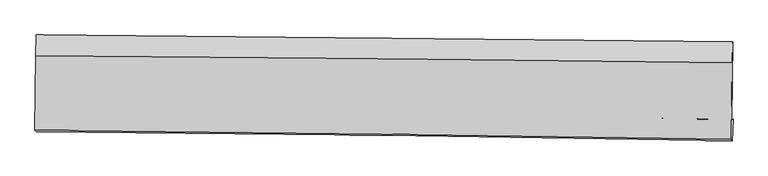
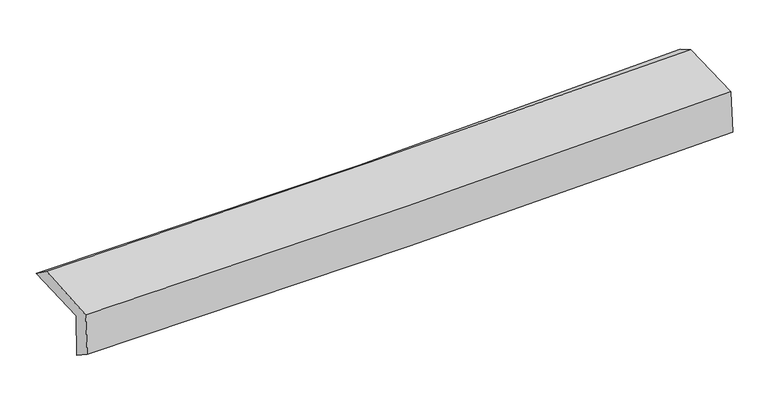
"""IFC4 building model written with IfcOpenShell, lengths in millimetres: proxy geometry."""

from ifc_helpers import new_model, si_unit, frame, origin, place, context, project, spatial, source, transform, mapped, element, save
from ifc_brep_helpers import plane_surface, spline_curve, spline_surface, advanced_brep


def generic_models_2508f303(model_context):
    return source(origin(), model_context, "Body", "AdvancedBrep", [
        advanced_brep(
        [(-3021.1150594, -1756.8166592, 1969.6716742), (-3013.3146587, -1091.5364492, 1986.8485405), (3006.4607985, -1150.4468479, 2146.6862223), (2998.9404727, -1819.7120626, 2129.4145994), (-3011.104711, -1746.5477796, 1567.3999814), (3008.9780263, -1818.8391857, 1721.4985973), (-3016.3447881, -1927.2214206, 1689.7926561), (3003.76574, -2005.3414108, 1843.4726697), (-3025.7953272, -1916.540538, 2079.8178768), (2994.177791, -1994.5166387, 2238.7474225), (-3018.6898331, -1269.6413336, 2116.0320972), (3001.6984394, -1332.3357561, 2252.5847062)],
        [
            (0, 1),
            (1, 2, spline_curve(3, [(-3013.3146587, -1091.5364492, 1986.8485405), (-2009.320993888, -1102.205482975, 1985.437377385), (-1005.684904164, -1112.449121976, 1998.051128461), (1000.906939801, -1132.085950717, 2051.329382103), (2003.862668866, -1141.479111441, 2091.994858595), (3006.4607985, -1150.4468479, 2146.6862223)], [4, 2, 4], [0.0, 9.880752297488074, 19.761847457800325])),
            (2, 3),
            (3, 0, spline_curve(3, [(2998.9404727, -1819.7120626, 2129.4145994), (1996.636456498, -1809.021563458, 2061.380455955), (993.80444117, -1798.434940893, 2014.051601772), (-1012.880772913, -1777.469813647, 1960.805397235), (-2016.73393472, -1767.09130143, 1954.886609182), (-3021.1150594, -1756.8166592, 1969.6716742)], [4, 2, 4], [0.0, 9.88109516031225, 19.761847457800325])),
            (4, 0),
            (3, 5),
            (5, 4, spline_curve(3, [(3008.9780263, -1818.8391857, 1721.4985973), (2006.57755204, -1803.535653173, 1659.616215158), (1003.695041469, -1789.859526541, 1615.833563961), (-1002.999238054, -1765.762504336, 1564.468615007), (-2006.810972786, -1755.341495193, 1556.885060552), (-3011.104711, -1746.5477796, 1567.3999814)], [4, 2, 4], [0.0, 9.881779336199823, 19.76321578583534])),
            (6, 4),
            (5, 7),
            (7, 6, spline_curve(3, [(3003.76574, -2005.3414108, 1843.4726697), (2001.044000719, -1987.996742901, 1795.052293956), (997.998544429, -1972.814334331, 1758.035414048), (-1008.704987453, -1946.774487853, 1706.809534507), (-2012.36304036, -1935.916899419, 1692.599743037), (-3016.3447881, -1927.2214206, 1689.7926561)], [4, 2, 4], [0.0, 9.880921684984134, 19.761500513163487])),
            (8, 6),
            (7, 9),
            (9, 8, spline_curve(3, [(2994.177791, -1994.5166387, 2238.7474225), (1991.440930487, -1977.152976545, 2191.021434002), (988.399364698, -1961.973061938, 2153.914265456), (-1018.258362517, -1935.981180014, 2100.93848706), (-2021.874502721, -1925.16906081, 2085.069140339), (-3025.7953272, -1916.540538, 2079.8178768)], [4, 2, 4], [0.0, 9.880341723202113, 19.760340609723464])),
            (10, 8),
            (9, 11),
            (11, 10, spline_curve(3, [(3001.6984394, -1332.3357561, 2252.5847062), (1998.68890892, -1318.862059812, 2216.254547369), (995.476413181, -1306.900611962, 2186.710004343), (-1011.3196916, -1286.002576413, 2141.192938966), (-2014.903286715, -1277.065883189, 2125.219945904), (-3018.6898331, -1269.6413336, 2116.0320972)], [4, 2, 4], [0.0, 9.879830054942131, 19.75931729095781])),
            (1, 10),
            (11, 2),
        ],
        [
            spline_surface(3, 3, [[(-3021.1150594, -1756.8166592, 1969.6716742), (-2016.733934818, -1767.091301556, 1954.886609284), (-1012.880772884, -1777.469813649, 1960.80539708), (993.804441142, -1798.434940891, 2014.051601928), (1996.636456539, -1809.021563297, 2061.380455885), (2998.9404727, -1819.7120626, 2129.4145994)], [(-3018.514925829, -1535.056589207, 1975.397296303), (-2014.262954525, -1545.462695334, 1965.07019867), (-1010.482149942, -1555.796249717, 1973.220640815), (996.171940697, -1576.318610902, 2026.47752868), (1999.045193999, -1586.507412716, 2071.585256795), (3001.447247935, -1596.623657703, 2135.171807026)], [(-3015.914792271, -1313.296519193, 1981.122918397), (-2011.791974246, -1323.834089089, 1975.253788046), (-1008.083527056, -1334.122685744, 1985.635884597), (998.539440196, -1354.202280871, 2038.903455479), (2001.453931555, -1363.993262125, 2081.790057728), (3003.954023265, -1373.535252797, 2140.929014674)], [(-3013.3146587, -1091.5364492, 1986.8485405), (-2009.320993953, -1102.205482867, 1985.437377432), (-1005.684904113, -1112.449121812, 1998.051128333), (1000.906939751, -1132.085950882, 2051.329382231), (2003.862669015, -1141.479111543, 2091.994858638), (3006.4607985, -1150.4468479, 2146.6862223)]], [4, 4], [4, 2, 4], [0.0, 2.1875500051054146], [0.0, 9.880752297488074, 19.761847457800325]),
            spline_surface(3, 3, [[(-3011.104711, -1746.5477796, 1567.3999814), (-2006.810972842, -1755.341495272, 1556.885060716), (-1002.999237899, -1765.762504237, 1564.468614866), (1003.695041313, -1789.85952664, 1615.833564103), (2006.577552149, -1803.535653096, 1659.616215262), (3008.9780263, -1818.8391857, 1721.4985973)], [(-3014.441493793, -1749.970739458, 1701.490545676), (-2010.118626826, -1759.258097358, 1689.552243582), (-1006.293082898, -1769.664940701, 1696.580875607), (1000.398174585, -1792.717998051, 1748.572910048), (2003.263853644, -1805.364289831, 1793.537628808), (3005.632175132, -1819.130144668, 1857.470598005)], [(-3017.778276607, -1753.393699342, 1835.581109924), (-2013.426280833, -1763.17469947, 1822.219426418), (-1009.586927885, -1773.567377184, 1828.693136338), (997.10130787, -1795.57646948, 1881.312255983), (1999.950155044, -1807.192926561, 1927.459042339), (3002.286323868, -1819.421103632, 1993.442598695)], [(-3021.1150594, -1756.8166592, 1969.6716742), (-2016.733934818, -1767.091301556, 1954.886609284), (-1012.880772884, -1777.469813649, 1960.80539708), (993.804441142, -1798.434940891, 2014.051601928), (1996.636456539, -1809.021563297, 2061.380455885), (2998.9404727, -1819.7120626, 2129.4145994)]], [4, 4], [4, 2, 4], [0.0, 1.3042316480131368], [0.0, 9.881436449635515, 19.76321578583534]),
            spline_surface(3, 3, [[(-3016.3447881, -1927.2214206, 1689.7926561), (-2012.36304035, -1935.916899571, 1692.59974308), (-1008.704987425, -1946.774487757, 1706.809534356), (997.9985444, -1972.814334427, 1758.0354142), (2001.044000855, -1987.996742995, 1795.05229411), (3003.76574, -2005.3414108, 1843.4726697)], [(-3014.598095744, -1866.996873611, 1648.995097869), (-2010.512351191, -1875.72509815, 1647.361515628), (-1006.803070902, -1886.437159906, 1659.362561208), (999.897376718, -1911.829398487, 1710.634797516), (2002.888517944, -1926.509713024, 1749.906934484), (3005.503168757, -1943.174002428, 1802.814645557)], [(-3012.851403356, -1806.772326589, 1608.197539631), (-2008.661662001, -1815.533296694, 1602.123288168), (-1004.901154421, -1826.099832088, 1611.915588013), (1001.796208995, -1850.844462581, 1663.234180786), (2004.733035061, -1865.022683067, 1704.761574887), (3007.240597543, -1881.006594072, 1762.156621443)], [(-3011.104711, -1746.5477796, 1567.3999814), (-2006.810972842, -1755.341495272, 1556.885060716), (-1002.999237899, -1765.762504237, 1564.468614866), (1003.695041313, -1789.85952664, 1615.833564103), (2006.577552149, -1803.535653096, 1659.616215262), (3008.9780263, -1818.8391857, 1721.4985973)]], [4, 4], [4, 2, 4], [0.0, 0.7580914119960898], [0.0, 9.880578828179353, 19.761500513163487]),
            spline_surface(3, 3, [[(-3025.7953272, -1916.540538, 2079.8178768), (-2021.874502742, -1925.169060795, 2085.069140485), (-1018.25836252, -1935.98117997, 2100.938487098), (988.399364701, -1961.973061982, 2153.914265417), (1991.440930528, -1977.152976393, 2191.021434048), (2994.177791, -1994.5166387, 2238.7474225)], [(-3022.645147487, -1920.100832206, 1949.809469898), (-2018.704015265, -1928.751673726, 1954.246008015), (-1015.073904177, -1939.578949249, 1969.562169501), (991.599091246, -1965.586819481, 2021.954648328), (1994.641953968, -1980.767565265, 2059.031720745), (2997.373773997, -1998.124896072, 2106.989171577)], [(-3019.494967813, -1923.661126394, 1819.801063002), (-2015.533527827, -1932.33428664, 1823.42287555), (-1011.889445768, -1943.176718478, 1838.185851953), (994.798817855, -1969.200576929, 1889.995031289), (1997.842977415, -1984.382154123, 1927.042007412), (3000.569757003, -2001.733153428, 1975.230920623)], [(-3016.3447881, -1927.2214206, 1689.7926561), (-2012.36304035, -1935.916899571, 1692.59974308), (-1008.704987425, -1946.774487757, 1706.809534356), (997.9985444, -1972.814334427, 1758.0354142), (2001.044000855, -1987.996742995, 1795.05229411), (3003.76574, -2005.3414108, 1843.4726697)]], [4, 4], [4, 2, 4], [0.0, 1.296811163341322], [0.0, 9.879998886521351, 19.760340609723464]),
            spline_surface(3, 3, [[(-3018.6898331, -1269.6413336, 2116.0320972), (-2014.903286685, -1277.065883116, 2125.219945763), (-1011.319691674, -1286.002576249, 2141.192938933), (995.476413255, -1306.900612126, 2186.710004376), (1998.688909056, -1318.86205985, 2216.254547523), (3001.6984394, -1332.3357561, 2252.5847062)], [(-3021.058331134, -1485.274401731, 2103.960690409), (-2017.227025372, -1493.100275673, 2111.836344013), (-1013.632581962, -1502.662110833, 2127.774788325), (993.117397064, -1525.258095422, 2175.778091394), (1996.27291621, -1538.292365364, 2207.843509694), (2999.191556597, -1553.062716967, 2247.972278296)], [(-3023.426829166, -1700.907469869, 2091.889283591), (-2019.550764055, -1709.134668237, 2098.452742235), (-1015.945472232, -1719.321645386, 2114.356637706), (990.758380892, -1743.615578687, 2164.8461784), (1993.856923374, -1757.722670878, 2199.432471877), (2996.684673803, -1773.789677833, 2243.359850404)], [(-3025.7953272, -1916.540538, 2079.8178768), (-2021.874502742, -1925.169060795, 2085.069140485), (-1018.25836252, -1935.98117997, 2100.938487098), (988.399364701, -1961.973061982, 2153.914265417), (1991.440930528, -1977.152976393, 2191.021434048), (2994.177791, -1994.5166387, 2238.7474225)]], [4, 4], [4, 2, 4], [0.0, 2.1443065117712385], [0.0, 9.87948723601568, 19.75931729095781]),
            spline_surface(3, 3, [[(-3013.3146587, -1091.5364492, 1986.8485405), (-2009.320993953, -1102.205482867, 1985.437377432), (-1005.684904113, -1112.449121812, 1998.051128333), (1000.906939751, -1132.085950882, 2051.329382231), (2003.862669015, -1141.479111543, 2091.994858638), (3006.4607985, -1150.4468479, 2146.6862223)], [(-3015.106383514, -1150.904743987, 2029.909726044), (-2011.181758211, -1160.492282936, 2032.031566853), (-1007.563166634, -1170.300273267, 2045.765065208), (999.096764252, -1190.357504606, 2096.456256289), (2002.138082377, -1200.606760974, 2133.414754939), (3004.873345482, -1211.076483962, 2181.985716939)], [(-3016.898108286, -1210.273038813, 2072.970911656), (-2013.042522427, -1218.779083046, 2078.625756342), (-1009.441429153, -1228.151424794, 2093.479002057), (997.286588754, -1248.629058402, 2141.583130319), (2000.413495694, -1259.734410419, 2174.834651223), (3003.285892418, -1271.706120038, 2217.285211561)], [(-3018.6898331, -1269.6413336, 2116.0320972), (-2014.903286685, -1277.065883116, 2125.219945763), (-1011.319691674, -1286.002576249, 2141.192938933), (995.476413255, -1306.900612126, 2186.710004376), (1998.688909056, -1318.86205985, 2216.254547523), (3001.6984394, -1332.3357561, 2252.5847062)]], [4, 4], [4, 2, 4], [0.0, 0.7318873102487973], [0.0, 9.87940132104903, 19.759145458043257]),
            plane_surface(frame((3002.336878, -1686.8653169, 2055.4007029), z_axis=(0.9996276217237335, -0.01186664061793427, 0.024572356976837482), x_axis=(0.02424020104958288, -0.027367130612039606, -0.9993315029634258))),
            plane_surface(frame((-3017.7273963, -1618.0506967, 1901.5938044), z_axis=(-0.9996220188317452, 0.012354661833799437, -0.02455975972437054), x_axis=(-0.011720274183219853, -0.9995981944133935, -0.025808620624785568))),
        ],
        [
            (0, [[1, 2, 3, 4]]),
            (1, [[5, -4, 6, 7]]),
            (2, [[8, -7, 9, 10]]),
            (3, [[11, -10, 12, 13]]),
            (4, [[14, -13, 15, 16]]),
            (5, [[17, -16, 18, -2]]),
            (6, [[-12, -9, -6, -3, -18, -15]]),
            (7, [[-1, -5, -8, -11, -14, -17]]),
        ],
    ),
    ])


if __name__ == "__main__":
    model = new_model("IFC4")
    model_context = context("Model", 3, world=origin())
    ifc_project = project(units=[si_unit("LENGTHUNIT", "METRE", prefix="MILLI")], contexts=[model_context])
    site = spatial("IfcSite", under=ifc_project)
    building = spatial("IfcBuilding", under=site)
    placement = place(None, origin())
    generic_models_shape = generic_models_2508f303(model_context)
    element("IfcBuildingElementProxy", 1, Name="Generic Models", at=placement, inside=building, context=model_context, shape_type="MappedRepresentation", body=[
        mapped(generic_models_shape, transform((0.0, 0.0, 0.0), x_axis=(1.0, 0.0, 0.0), y_axis=(0.0, 1.0, 0.0), z_axis=(0.0, 0.0, 1.0))),
    ])
    save(model, "model.ifc")
